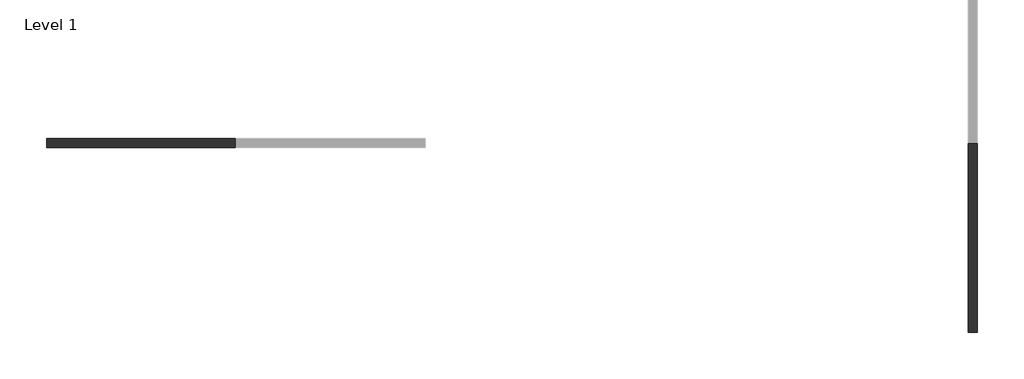
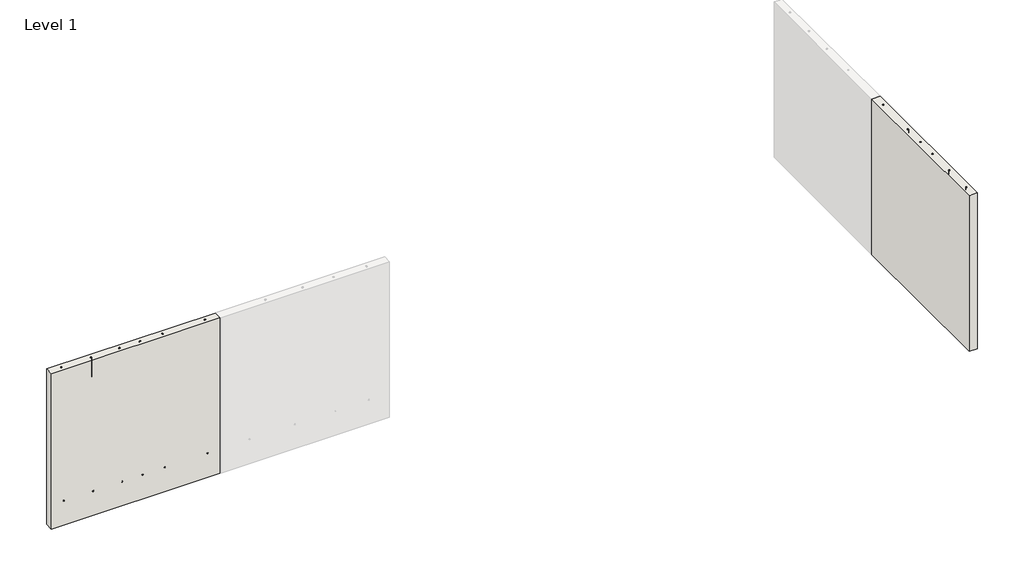
# One storey, part 1 of 2: 2 walls.
"""IFC4 building model written with IfcOpenShell, lengths in millimetres."""

from ifc_helpers import new_model, si_unit, frame, origin, place, context, project, spatial, polyline, circle_curve, element, save
from ifc_brep_helpers import plane_surface, cylinder_surface, revolved_surface, advanced_brep

model = new_model("IFC4")

# Units and contexts
model_context = context("Model", 3, world=origin())
ifc_project = project(units=[si_unit("LENGTHUNIT", "METRE", prefix="MILLI")], contexts=[model_context])

# Site, building, storey
site = spatial("IfcSite", under=ifc_project)
building = spatial("IfcBuilding", under=site)
storey = spatial("IfcBuildingStorey", under=building, Name="Level 1", Elevation=0.0)

# Walls
placement = place(None, origin())
element("IfcWall", 1, ObjectType="Generic - 200mm", at=placement, inside=storey, context=model_context, shape_type="AdvancedBrep", body=[
    advanced_brep(
    [(-17468.7199546, 12.9924474, 0.0), (-13368.7199546, 12.9924474, 0.0), (-13368.7199546, 12.9924474, 4000.0), (-17468.7199546, 12.9924474, 4000.0), (-13368.7199546, 212.9924474, 0.0), (-17468.7199546, 212.9924474, 0.0), (-17468.7199546, 212.9924474, 4000.0), (-13368.7199546, 212.9924474, 4000.0), (-13668.7199546, 127.9924474, 4000.0), (-13668.7199546, 97.9924474, 4000.0), (-14708.7199546, 127.9924474, 4000.0), (-14708.7199546, 97.9924474, 4000.0), (-15248.7199546, 127.9924474, 4000.0), (-15248.7199546, 97.9924474, 4000.0), (-15748.7199546, 127.9924474, 4000.0), (-15748.7199546, 97.9924474, 4000.0), (-16448.7199546, 127.9924474, 4000.0), (-16448.7199546, 97.9924474, 4000.0), (-17168.7199546, 127.9924474, 4000.0), (-17168.7199546, 97.9924474, 4000.0), (-13668.7199546, 125.9924474, 4000.0), (-13668.7199546, 99.9924474, 4000.0), (-14708.7199546, 125.9924474, 4000.0), (-14708.7199546, 99.9924474, 4000.0), (-15248.7199546, 125.9924474, 4000.0), (-15248.7199546, 99.9924474, 4000.0), (-15748.7199546, 125.9924474, 4000.0), (-15748.7199546, 99.9924474, 4000.0), (-16448.7199546, 125.9924474, 4000.0), (-16448.7199546, 99.9924474, 4000.0), (-17168.7199546, 125.9924474, 4000.0), (-17168.7199546, 99.9924474, 4000.0), (-17168.7199546, 127.9924474, 3500.0), (-17168.7199546, 97.9924474, 3500.0), (-17168.7199546, 125.9924474, 3500.0), (-17168.7199546, 99.9924474, 3500.0), (-16448.7199546, 127.9924474, 3500.0), (-16448.7199546, 97.9924474, 3500.0), (-16448.7199546, 125.9924474, 3500.0), (-16448.7199546, 99.9924474, 3500.0), (-15748.7199546, 127.9924474, 3500.0), (-15748.7199546, 97.9924474, 3500.0), (-15748.7199546, 125.9924474, 3500.0), (-15748.7199546, 99.9924474, 3500.0), (-15248.7199546, 127.9924474, 3500.0), (-15248.7199546, 97.9924474, 3500.0), (-15248.7199546, 125.9924474, 3500.0), (-15248.7199546, 99.9924474, 3500.0), (-14708.7199546, 127.9924474, 3500.0), (-14708.7199546, 97.9924474, 3500.0), (-14708.7199546, 125.9924474, 3500.0), (-14708.7199546, 99.9924474, 3500.0), (-13668.7199546, 127.9924474, 3500.0), (-13668.7199546, 97.9924474, 3500.0), (-13668.7199546, 125.9924474, 3500.0), (-13668.7199546, 99.9924474, 3500.0)],
    [
        (0, 1),
        (1, 2),
        (2, 3),
        (3, 0),
        (4, 5),
        (5, 6),
        (6, 7),
        (7, 4),
        (0, 5),
        (4, 1),
        (7, 2),
        (6, 3),
        (8, 9, circle_curve(frame((-13668.7199546, 112.9924474, 4000.0), z_axis=(0.0, 0.0, -1.0), x_axis=(0.0, -1.0, 0.0)), 15.0)),
        (9, 8, circle_curve(frame((-13668.7199546, 112.9924474, 4000.0), z_axis=(0.0, 0.0, -1.0), x_axis=(0.0, -1.0, 0.0)), 15.0)),
        (10, 11, circle_curve(frame((-14708.7199546, 112.9924474, 4000.0), z_axis=(0.0, 0.0, -1.0), x_axis=(0.0, -1.0, 0.0)), 15.0)),
        (11, 10, circle_curve(frame((-14708.7199546, 112.9924474, 4000.0), z_axis=(0.0, 0.0, -1.0), x_axis=(0.0, -1.0, 0.0)), 15.0)),
        (12, 13, circle_curve(frame((-15248.7199546, 112.9924474, 4000.0), z_axis=(0.0, 0.0, -1.0), x_axis=(0.0, -1.0, 0.0)), 15.0)),
        (13, 12, circle_curve(frame((-15248.7199546, 112.9924474, 4000.0), z_axis=(0.0, 0.0, -1.0), x_axis=(0.0, -1.0, 0.0)), 15.0)),
        (14, 15, circle_curve(frame((-15748.7199546, 112.9924474, 4000.0), z_axis=(0.0, 0.0, -1.0), x_axis=(0.0, -1.0, 0.0)), 15.0)),
        (15, 14, circle_curve(frame((-15748.7199546, 112.9924474, 4000.0), z_axis=(0.0, 0.0, -1.0), x_axis=(0.0, -1.0, 0.0)), 15.0)),
        (16, 17, circle_curve(frame((-16448.7199546, 112.9924474, 4000.0), z_axis=(0.0, 0.0, -1.0), x_axis=(0.0, -1.0, 0.0)), 15.0)),
        (17, 16, circle_curve(frame((-16448.7199546, 112.9924474, 4000.0), z_axis=(0.0, 0.0, -1.0), x_axis=(0.0, -1.0, 0.0)), 15.0)),
        (18, 19, circle_curve(frame((-17168.7199546, 112.9924474, 4000.0), z_axis=(0.0, 0.0, -1.0), x_axis=(0.0, -1.0, 0.0)), 15.0)),
        (19, 18, circle_curve(frame((-17168.7199546, 112.9924474, 4000.0), z_axis=(0.0, 0.0, -1.0), x_axis=(0.0, -1.0, 0.0)), 15.0)),
        (20, 21, circle_curve(frame((-13668.7199546, 112.9924474, 4000.0), z_axis=(0.0, 0.0, 1.0), x_axis=(0.0, -1.0, 0.0)), 13.0)),
        (21, 20, circle_curve(frame((-13668.7199546, 112.9924474, 4000.0), z_axis=(0.0, 0.0, 1.0), x_axis=(0.0, -1.0, 0.0)), 13.0)),
        (22, 23, circle_curve(frame((-14708.7199546, 112.9924474, 4000.0), z_axis=(0.0, 0.0, 1.0), x_axis=(0.0, -1.0, 0.0)), 13.0)),
        (23, 22, circle_curve(frame((-14708.7199546, 112.9924474, 4000.0), z_axis=(0.0, 0.0, 1.0), x_axis=(0.0, -1.0, 0.0)), 13.0)),
        (24, 25, circle_curve(frame((-15248.7199546, 112.9924474, 4000.0), z_axis=(0.0, 0.0, 1.0), x_axis=(0.0, -1.0, 0.0)), 13.0)),
        (25, 24, circle_curve(frame((-15248.7199546, 112.9924474, 4000.0), z_axis=(0.0, 0.0, 1.0), x_axis=(0.0, -1.0, 0.0)), 13.0)),
        (26, 27, circle_curve(frame((-15748.7199546, 112.9924474, 4000.0), z_axis=(0.0, 0.0, 1.0), x_axis=(0.0, -1.0, 0.0)), 13.0)),
        (27, 26, circle_curve(frame((-15748.7199546, 112.9924474, 4000.0), z_axis=(0.0, 0.0, 1.0), x_axis=(0.0, -1.0, 0.0)), 13.0)),
        (28, 29, circle_curve(frame((-16448.7199546, 112.9924474, 4000.0), z_axis=(0.0, 0.0, 1.0), x_axis=(0.0, -1.0, 0.0)), 13.0)),
        (29, 28, circle_curve(frame((-16448.7199546, 112.9924474, 4000.0), z_axis=(0.0, 0.0, 1.0), x_axis=(0.0, -1.0, 0.0)), 13.0)),
        (30, 31, circle_curve(frame((-17168.7199546, 112.9924474, 4000.0), z_axis=(0.0, 0.0, 1.0), x_axis=(0.0, -1.0, 0.0)), 13.0)),
        (31, 30, circle_curve(frame((-17168.7199546, 112.9924474, 4000.0), z_axis=(0.0, 0.0, 1.0), x_axis=(0.0, -1.0, 0.0)), 13.0)),
        (32, 33, circle_curve(frame((-17168.7199546, 112.9924474, 3500.0), z_axis=(0.0, 0.0, 1.0), x_axis=(0.0, -1.0, 0.0)), 15.0)),
        (33, 32, circle_curve(frame((-17168.7199546, 112.9924474, 3500.0), z_axis=(0.0, 0.0, 1.0), x_axis=(0.0, -1.0, 0.0)), 15.0)),
        (34, 35, circle_curve(frame((-17168.7199546, 112.9924474, 3500.0), z_axis=(0.0, 0.0, -1.0), x_axis=(0.0, -1.0, 0.0)), 13.0)),
        (35, 34, circle_curve(frame((-17168.7199546, 112.9924474, 3500.0), z_axis=(0.0, 0.0, -1.0), x_axis=(0.0, -1.0, 0.0)), 13.0)),
        (33, 19),
        (18, 32),
        (35, 31),
        (30, 34),
        (36, 37, circle_curve(frame((-16448.7199546, 112.9924474, 3500.0), z_axis=(0.0, 0.0, 1.0), x_axis=(0.0, -1.0, 0.0)), 15.0)),
        (37, 36, circle_curve(frame((-16448.7199546, 112.9924474, 3500.0), z_axis=(0.0, 0.0, 1.0), x_axis=(0.0, -1.0, 0.0)), 15.0)),
        (38, 39, circle_curve(frame((-16448.7199546, 112.9924474, 3500.0), z_axis=(0.0, 0.0, -1.0), x_axis=(0.0, -1.0, 0.0)), 13.0)),
        (39, 38, circle_curve(frame((-16448.7199546, 112.9924474, 3500.0), z_axis=(0.0, 0.0, -1.0), x_axis=(0.0, -1.0, 0.0)), 13.0)),
        (37, 17),
        (16, 36),
        (39, 29),
        (28, 38),
        (40, 41, circle_curve(frame((-15748.7199546, 112.9924474, 3500.0), z_axis=(0.0, 0.0, 1.0), x_axis=(0.0, -1.0, 0.0)), 15.0)),
        (41, 40, circle_curve(frame((-15748.7199546, 112.9924474, 3500.0), z_axis=(0.0, 0.0, 1.0), x_axis=(0.0, -1.0, 0.0)), 15.0)),
        (42, 43, circle_curve(frame((-15748.7199546, 112.9924474, 3500.0), z_axis=(0.0, 0.0, -1.0), x_axis=(0.0, -1.0, 0.0)), 13.0)),
        (43, 42, circle_curve(frame((-15748.7199546, 112.9924474, 3500.0), z_axis=(0.0, 0.0, -1.0), x_axis=(0.0, -1.0, 0.0)), 13.0)),
        (41, 15),
        (14, 40),
        (43, 27),
        (26, 42),
        (44, 45, circle_curve(frame((-15248.7199546, 112.9924474, 3500.0), z_axis=(0.0, 0.0, 1.0), x_axis=(0.0, -1.0, 0.0)), 15.0)),
        (45, 44, circle_curve(frame((-15248.7199546, 112.9924474, 3500.0), z_axis=(0.0, 0.0, 1.0), x_axis=(0.0, -1.0, 0.0)), 15.0)),
        (46, 47, circle_curve(frame((-15248.7199546, 112.9924474, 3500.0), z_axis=(0.0, 0.0, -1.0), x_axis=(0.0, -1.0, 0.0)), 13.0)),
        (47, 46, circle_curve(frame((-15248.7199546, 112.9924474, 3500.0), z_axis=(0.0, 0.0, -1.0), x_axis=(0.0, -1.0, 0.0)), 13.0)),
        (45, 13),
        (12, 44),
        (47, 25),
        (24, 46),
        (48, 49, circle_curve(frame((-14708.7199546, 112.9924474, 3500.0), z_axis=(0.0, 0.0, 1.0), x_axis=(0.0, -1.0, 0.0)), 15.0)),
        (49, 48, circle_curve(frame((-14708.7199546, 112.9924474, 3500.0), z_axis=(0.0, 0.0, 1.0), x_axis=(0.0, -1.0, 0.0)), 15.0)),
        (50, 51, circle_curve(frame((-14708.7199546, 112.9924474, 3500.0), z_axis=(0.0, 0.0, -1.0), x_axis=(0.0, -1.0, 0.0)), 13.0)),
        (51, 50, circle_curve(frame((-14708.7199546, 112.9924474, 3500.0), z_axis=(0.0, 0.0, -1.0), x_axis=(0.0, -1.0, 0.0)), 13.0)),
        (49, 11),
        (10, 48),
        (51, 23),
        (22, 50),
        (52, 53, circle_curve(frame((-13668.7199546, 112.9924474, 3500.0), z_axis=(0.0, 0.0, 1.0), x_axis=(0.0, -1.0, 0.0)), 15.0)),
        (53, 52, circle_curve(frame((-13668.7199546, 112.9924474, 3500.0), z_axis=(0.0, 0.0, 1.0), x_axis=(0.0, -1.0, 0.0)), 15.0)),
        (54, 55, circle_curve(frame((-13668.7199546, 112.9924474, 3500.0), z_axis=(0.0, 0.0, -1.0), x_axis=(0.0, -1.0, 0.0)), 13.0)),
        (55, 54, circle_curve(frame((-13668.7199546, 112.9924474, 3500.0), z_axis=(0.0, 0.0, -1.0), x_axis=(0.0, -1.0, 0.0)), 13.0)),
        (53, 9),
        (8, 52),
        (55, 21),
        (20, 54),
    ],
    [
        plane_surface(frame((-19768.7199546, 12.9924474, 0.0), z_axis=(0.0, -1.0, 0.0), x_axis=(1.0, 0.0, 0.0))),
        plane_surface(frame((-19768.7199546, 212.9924474, 0.0), z_axis=(0.0, 1.0, 0.0), x_axis=(-1.0, 0.0, 0.0))),
        plane_surface(frame((-17468.7199546, 12.9924474, 0.0), z_axis=(0.0, 0.0, -1.0), x_axis=(0.0, 1.0, 0.0))),
        plane_surface(frame((-13368.7199546, 12.9924474, 0.0), z_axis=(1.0, 0.0, 0.0), x_axis=(0.0, 1.0, 0.0))),
        plane_surface(frame((-13368.7199546, 12.9924474, 4000.0), z_axis=(0.0, 0.0, 1.0), x_axis=(0.0, 1.0, 0.0))),
        plane_surface(frame((-17468.7199546, 12.9924474, 4000.0), z_axis=(-1.0, 0.0, 0.0), x_axis=(0.0, 1.0, 0.0))),
        plane_surface(frame((-17168.7199546, 97.9924474, 3500.0), z_axis=(0.0, 0.0, 1.0), x_axis=(-1.0, 0.0, 0.0))),
        revolved_surface(polyline([(-17168.7199546, 97.9924474, 3500.0), (-17168.7199546, 97.9924474, 4000.0)]), (-17168.7199546, 112.9924474, 4000.0), (0.0, 0.0, -1.0)),
        cylinder_surface(frame((-17168.7199546, 112.9924474, 3500.0), z_axis=(0.0, 0.0, 1.0), x_axis=(0.0, -1.0, 0.0)), 13.0),
        plane_surface(frame((-16448.7199546, 97.9924474, 3500.0), z_axis=(0.0, 0.0, 1.0), x_axis=(-1.0, 0.0, 0.0))),
        revolved_surface(polyline([(-16448.7199546, 97.9924474, 3500.0), (-16448.7199546, 97.9924474, 4000.0)]), (-16448.7199546, 112.9924474, 4000.0), (0.0, 0.0, -1.0)),
        cylinder_surface(frame((-16448.7199546, 112.9924474, 3500.0), z_axis=(0.0, 0.0, 1.0), x_axis=(0.0, -1.0, 0.0)), 13.0),
        plane_surface(frame((-15748.7199546, 97.9924474, 3500.0), z_axis=(0.0, 0.0, 1.0), x_axis=(-1.0, 0.0, 0.0))),
        revolved_surface(polyline([(-15748.7199546, 97.9924474, 3500.0), (-15748.7199546, 97.9924474, 4000.0)]), (-15748.7199546, 112.9924474, 4000.0), (0.0, 0.0, -1.0)),
        cylinder_surface(frame((-15748.7199546, 112.9924474, 3500.0), z_axis=(0.0, 0.0, 1.0), x_axis=(0.0, -1.0, 0.0)), 13.0),
        plane_surface(frame((-15248.7199546, 97.9924474, 3500.0), z_axis=(0.0, 0.0, 1.0), x_axis=(-1.0, 0.0, 0.0))),
        revolved_surface(polyline([(-15248.7199546, 97.9924474, 3500.0), (-15248.7199546, 97.9924474, 4000.0)]), (-15248.7199546, 112.9924474, 4000.0), (0.0, 0.0, -1.0)),
        cylinder_surface(frame((-15248.7199546, 112.9924474, 3500.0), z_axis=(0.0, 0.0, 1.0), x_axis=(0.0, -1.0, 0.0)), 13.0),
        plane_surface(frame((-14708.7199546, 97.9924474, 3500.0), z_axis=(0.0, 0.0, 1.0), x_axis=(-1.0, 0.0, 0.0))),
        revolved_surface(polyline([(-14708.7199546, 97.9924474, 3500.0), (-14708.7199546, 97.9924474, 4000.0)]), (-14708.7199546, 112.9924474, 4000.0), (0.0, 0.0, -1.0)),
        cylinder_surface(frame((-14708.7199546, 112.9924474, 3500.0), z_axis=(0.0, 0.0, 1.0), x_axis=(0.0, -1.0, 0.0)), 13.0),
        plane_surface(frame((-13668.7199546, 97.9924474, 3500.0), z_axis=(0.0, 0.0, 1.0), x_axis=(-1.0, 0.0, 0.0))),
        revolved_surface(polyline([(-13668.7199546, 97.9924474, 3500.0), (-13668.7199546, 97.9924474, 4000.0)]), (-13668.7199546, 112.9924474, 4000.0), (0.0, 0.0, -1.0)),
        cylinder_surface(frame((-13668.7199546, 112.9924474, 3500.0), z_axis=(0.0, 0.0, 1.0), x_axis=(0.0, -1.0, 0.0)), 13.0),
    ],
    [
        (0, [[1, 2, 3, 4]]),
        (1, [[5, 6, 7, 8]]),
        (2, [[-1, 9, -5, 10]]),
        (3, [[-2, -10, -8, 11]]),
        (4, [[-3, -11, -7, 12], [13, 14], [15, 16], [17, 18], [19, 20], [21, 22], [23, 24]]),
        (4, [[25, 26]]),
        (4, [[27, 28]]),
        (4, [[29, 30]]),
        (4, [[31, 32]]),
        (4, [[33, 34]]),
        (4, [[35, 36]]),
        (5, [[-4, -12, -6, -9]]),
        (6, [[37, 38], [39, 40]]),
        (7, [[-38, 41, -23, 42]]),
        (7, [[-37, -42, -24, -41]]),
        (8, [[-40, 43, -35, 44]]),
        (8, [[-39, -44, -36, -43]]),
        (9, [[45, 46], [47, 48]]),
        (10, [[-46, 49, -21, 50]]),
        (10, [[-45, -50, -22, -49]]),
        (11, [[-48, 51, -33, 52]]),
        (11, [[-47, -52, -34, -51]]),
        (12, [[53, 54], [55, 56]]),
        (13, [[-54, 57, -19, 58]]),
        (13, [[-53, -58, -20, -57]]),
        (14, [[-56, 59, -31, 60]]),
        (14, [[-55, -60, -32, -59]]),
        (15, [[61, 62], [63, 64]]),
        (16, [[-62, 65, -17, 66]]),
        (16, [[-61, -66, -18, -65]]),
        (17, [[-64, 67, -29, 68]]),
        (17, [[-63, -68, -30, -67]]),
        (18, [[69, 70], [71, 72]]),
        (19, [[-70, 73, -15, 74]]),
        (19, [[-69, -74, -16, -73]]),
        (20, [[-72, 75, -27, 76]]),
        (20, [[-71, -76, -28, -75]]),
        (21, [[77, 78], [79, 80]]),
        (22, [[-78, 81, -13, 82]]),
        (22, [[-77, -82, -14, -81]]),
        (23, [[-80, 83, -25, 84]]),
        (23, [[-79, -84, -26, -83]]),
    ],
),
])
element("IfcWall", 2, ObjectType="Generic - 200mm", at=placement, inside=storey, context=model_context, shape_type="AdvancedBrep", body=[
    advanced_brep(
    [(2741.2800454, -3997.0075526, 0.0), (2741.2800454, 102.9924474, 0.0), (2741.2800454, 102.9924474, 4000.0), (2741.2800454, -3997.0075526, 4000.0), (2541.2800454, 102.9924474, 0.0), (2541.2800454, -3997.0075526, 0.0), (2541.2800454, -3997.0075526, 4000.0), (2541.2800454, 102.9924474, 4000.0), (2626.2800454, -197.0075526, 4000.0), (2656.2800454, -197.0075526, 4000.0), (2626.2800454, -1237.0075526, 4000.0), (2656.2800454, -1237.0075526, 4000.0), (2626.2800454, -1777.0075526, 4000.0), (2656.2800454, -1777.0075526, 4000.0), (2626.2800454, -2277.0075526, 4000.0), (2656.2800454, -2277.0075526, 4000.0), (2626.2800454, -2977.0075526, 4000.0), (2656.2800454, -2977.0075526, 4000.0), (2626.2800454, -3697.0075526, 4000.0), (2656.2800454, -3697.0075526, 4000.0), (2628.2800454, -197.0075526, 4000.0), (2654.2800454, -197.0075526, 4000.0), (2628.2800454, -1237.0075526, 4000.0), (2654.2800454, -1237.0075526, 4000.0), (2628.2800454, -1777.0075526, 4000.0), (2654.2800454, -1777.0075526, 4000.0), (2628.2800454, -2277.0075526, 4000.0), (2654.2800454, -2277.0075526, 4000.0), (2628.2800454, -2977.0075526, 4000.0), (2654.2800454, -2977.0075526, 4000.0), (2628.2800454, -3697.0075526, 4000.0), (2654.2800454, -3697.0075526, 4000.0), (2626.2800454, -3697.0075526, 3500.0), (2656.2800454, -3697.0075526, 3500.0), (2628.2800454, -3697.0075526, 3500.0), (2654.2800454, -3697.0075526, 3500.0), (2626.2800454, -2977.0075526, 3500.0), (2656.2800454, -2977.0075526, 3500.0), (2628.2800454, -2977.0075526, 3500.0), (2654.2800454, -2977.0075526, 3500.0), (2626.2800454, -2277.0075526, 3500.0), (2656.2800454, -2277.0075526, 3500.0), (2628.2800454, -2277.0075526, 3500.0), (2654.2800454, -2277.0075526, 3500.0), (2626.2800454, -1777.0075526, 3500.0), (2656.2800454, -1777.0075526, 3500.0), (2628.2800454, -1777.0075526, 3500.0), (2654.2800454, -1777.0075526, 3500.0), (2626.2800454, -1237.0075526, 3500.0), (2656.2800454, -1237.0075526, 3500.0), (2628.2800454, -1237.0075526, 3500.0), (2654.2800454, -1237.0075526, 3500.0), (2626.2800454, -197.0075526, 3500.0), (2656.2800454, -197.0075526, 3500.0), (2628.2800454, -197.0075526, 3500.0), (2654.2800454, -197.0075526, 3500.0)],
    [
        (0, 1),
        (1, 2),
        (2, 3),
        (3, 0),
        (4, 5),
        (5, 6),
        (6, 7),
        (7, 4),
        (0, 5),
        (4, 1),
        (7, 2),
        (6, 3),
        (8, 9, circle_curve(frame((2641.2800454, -197.0075526, 4000.0), z_axis=(0.0, 0.0, -1.0), x_axis=(1.0, 0.0, 0.0)), 15.0)),
        (9, 8, circle_curve(frame((2641.2800454, -197.0075526, 4000.0), z_axis=(0.0, 0.0, -1.0), x_axis=(1.0, 0.0, 0.0)), 15.0)),
        (10, 11, circle_curve(frame((2641.2800454, -1237.0075526, 4000.0), z_axis=(0.0, 0.0, -1.0), x_axis=(1.0, 0.0, 0.0)), 15.0)),
        (11, 10, circle_curve(frame((2641.2800454, -1237.0075526, 4000.0), z_axis=(0.0, 0.0, -1.0), x_axis=(1.0, 0.0, 0.0)), 15.0)),
        (12, 13, circle_curve(frame((2641.2800454, -1777.0075526, 4000.0), z_axis=(0.0, 0.0, -1.0), x_axis=(1.0, 0.0, 0.0)), 15.0)),
        (13, 12, circle_curve(frame((2641.2800454, -1777.0075526, 4000.0), z_axis=(0.0, 0.0, -1.0), x_axis=(1.0, 0.0, 0.0)), 15.0)),
        (14, 15, circle_curve(frame((2641.2800454, -2277.0075526, 4000.0), z_axis=(0.0, 0.0, -1.0), x_axis=(1.0, 0.0, 0.0)), 15.0)),
        (15, 14, circle_curve(frame((2641.2800454, -2277.0075526, 4000.0), z_axis=(0.0, 0.0, -1.0), x_axis=(1.0, 0.0, 0.0)), 15.0)),
        (16, 17, circle_curve(frame((2641.2800454, -2977.0075526, 4000.0), z_axis=(0.0, 0.0, -1.0), x_axis=(1.0, 0.0, 0.0)), 15.0)),
        (17, 16, circle_curve(frame((2641.2800454, -2977.0075526, 4000.0), z_axis=(0.0, 0.0, -1.0), x_axis=(1.0, 0.0, 0.0)), 15.0)),
        (18, 19, circle_curve(frame((2641.2800454, -3697.0075526, 4000.0), z_axis=(0.0, 0.0, -1.0), x_axis=(1.0, 0.0, 0.0)), 15.0)),
        (19, 18, circle_curve(frame((2641.2800454, -3697.0075526, 4000.0), z_axis=(0.0, 0.0, -1.0), x_axis=(1.0, 0.0, 0.0)), 15.0)),
        (20, 21, circle_curve(frame((2641.2800454, -197.0075526, 4000.0), z_axis=(0.0, 0.0, 1.0), x_axis=(1.0, 0.0, 0.0)), 13.0)),
        (21, 20, circle_curve(frame((2641.2800454, -197.0075526, 4000.0), z_axis=(0.0, 0.0, 1.0), x_axis=(1.0, 0.0, 0.0)), 13.0)),
        (22, 23, circle_curve(frame((2641.2800454, -1237.0075526, 4000.0), z_axis=(0.0, 0.0, 1.0), x_axis=(1.0, 0.0, 0.0)), 13.0)),
        (23, 22, circle_curve(frame((2641.2800454, -1237.0075526, 4000.0), z_axis=(0.0, 0.0, 1.0), x_axis=(1.0, 0.0, 0.0)), 13.0)),
        (24, 25, circle_curve(frame((2641.2800454, -1777.0075526, 4000.0), z_axis=(0.0, 0.0, 1.0), x_axis=(1.0, 0.0, 0.0)), 13.0)),
        (25, 24, circle_curve(frame((2641.2800454, -1777.0075526, 4000.0), z_axis=(0.0, 0.0, 1.0), x_axis=(1.0, 0.0, 0.0)), 13.0)),
        (26, 27, circle_curve(frame((2641.2800454, -2277.0075526, 4000.0), z_axis=(0.0, 0.0, 1.0), x_axis=(1.0, 0.0, 0.0)), 13.0)),
        (27, 26, circle_curve(frame((2641.2800454, -2277.0075526, 4000.0), z_axis=(0.0, 0.0, 1.0), x_axis=(1.0, 0.0, 0.0)), 13.0)),
        (28, 29, circle_curve(frame((2641.2800454, -2977.0075526, 4000.0), z_axis=(0.0, 0.0, 1.0), x_axis=(1.0, 0.0, 0.0)), 13.0)),
        (29, 28, circle_curve(frame((2641.2800454, -2977.0075526, 4000.0), z_axis=(0.0, 0.0, 1.0), x_axis=(1.0, 0.0, 0.0)), 13.0)),
        (30, 31, circle_curve(frame((2641.2800454, -3697.0075526, 4000.0), z_axis=(0.0, 0.0, 1.0), x_axis=(1.0, 0.0, 0.0)), 13.0)),
        (31, 30, circle_curve(frame((2641.2800454, -3697.0075526, 4000.0), z_axis=(0.0, 0.0, 1.0), x_axis=(1.0, 0.0, 0.0)), 13.0)),
        (32, 33, circle_curve(frame((2641.2800454, -3697.0075526, 3500.0), z_axis=(0.0, 0.0, 1.0), x_axis=(1.0, 0.0, 0.0)), 15.0)),
        (33, 32, circle_curve(frame((2641.2800454, -3697.0075526, 3500.0), z_axis=(0.0, 0.0, 1.0), x_axis=(1.0, 0.0, 0.0)), 15.0)),
        (34, 35, circle_curve(frame((2641.2800454, -3697.0075526, 3500.0), z_axis=(0.0, 0.0, -1.0), x_axis=(1.0, 0.0, 0.0)), 13.0)),
        (35, 34, circle_curve(frame((2641.2800454, -3697.0075526, 3500.0), z_axis=(0.0, 0.0, -1.0), x_axis=(1.0, 0.0, 0.0)), 13.0)),
        (33, 19),
        (18, 32),
        (35, 31),
        (30, 34),
        (36, 37, circle_curve(frame((2641.2800454, -2977.0075526, 3500.0), z_axis=(0.0, 0.0, 1.0), x_axis=(1.0, 0.0, 0.0)), 15.0)),
        (37, 36, circle_curve(frame((2641.2800454, -2977.0075526, 3500.0), z_axis=(0.0, 0.0, 1.0), x_axis=(1.0, 0.0, 0.0)), 15.0)),
        (38, 39, circle_curve(frame((2641.2800454, -2977.0075526, 3500.0), z_axis=(0.0, 0.0, -1.0), x_axis=(1.0, 0.0, 0.0)), 13.0)),
        (39, 38, circle_curve(frame((2641.2800454, -2977.0075526, 3500.0), z_axis=(0.0, 0.0, -1.0), x_axis=(1.0, 0.0, 0.0)), 13.0)),
        (37, 17),
        (16, 36),
        (39, 29),
        (28, 38),
        (40, 41, circle_curve(frame((2641.2800454, -2277.0075526, 3500.0), z_axis=(0.0, 0.0, 1.0), x_axis=(1.0, 0.0, 0.0)), 15.0)),
        (41, 40, circle_curve(frame((2641.2800454, -2277.0075526, 3500.0), z_axis=(0.0, 0.0, 1.0), x_axis=(1.0, 0.0, 0.0)), 15.0)),
        (42, 43, circle_curve(frame((2641.2800454, -2277.0075526, 3500.0), z_axis=(0.0, 0.0, -1.0), x_axis=(1.0, 0.0, 0.0)), 13.0)),
        (43, 42, circle_curve(frame((2641.2800454, -2277.0075526, 3500.0), z_axis=(0.0, 0.0, -1.0), x_axis=(1.0, 0.0, 0.0)), 13.0)),
        (41, 15),
        (14, 40),
        (43, 27),
        (26, 42),
        (44, 45, circle_curve(frame((2641.2800454, -1777.0075526, 3500.0), z_axis=(0.0, 0.0, 1.0), x_axis=(1.0, 0.0, 0.0)), 15.0)),
        (45, 44, circle_curve(frame((2641.2800454, -1777.0075526, 3500.0), z_axis=(0.0, 0.0, 1.0), x_axis=(1.0, 0.0, 0.0)), 15.0)),
        (46, 47, circle_curve(frame((2641.2800454, -1777.0075526, 3500.0), z_axis=(0.0, 0.0, -1.0), x_axis=(1.0, 0.0, 0.0)), 13.0)),
        (47, 46, circle_curve(frame((2641.2800454, -1777.0075526, 3500.0), z_axis=(0.0, 0.0, -1.0), x_axis=(1.0, 0.0, 0.0)), 13.0)),
        (45, 13),
        (12, 44),
        (47, 25),
        (24, 46),
        (48, 49, circle_curve(frame((2641.2800454, -1237.0075526, 3500.0), z_axis=(0.0, 0.0, 1.0), x_axis=(1.0, 0.0, 0.0)), 15.0)),
        (49, 48, circle_curve(frame((2641.2800454, -1237.0075526, 3500.0), z_axis=(0.0, 0.0, 1.0), x_axis=(1.0, 0.0, 0.0)), 15.0)),
        (50, 51, circle_curve(frame((2641.2800454, -1237.0075526, 3500.0), z_axis=(0.0, 0.0, -1.0), x_axis=(1.0, 0.0, 0.0)), 13.0)),
        (51, 50, circle_curve(frame((2641.2800454, -1237.0075526, 3500.0), z_axis=(0.0, 0.0, -1.0), x_axis=(1.0, 0.0, 0.0)), 13.0)),
        (49, 11),
        (10, 48),
        (51, 23),
        (22, 50),
        (52, 53, circle_curve(frame((2641.2800454, -197.0075526, 3500.0), z_axis=(0.0, 0.0, 1.0), x_axis=(1.0, 0.0, 0.0)), 15.0)),
        (53, 52, circle_curve(frame((2641.2800454, -197.0075526, 3500.0), z_axis=(0.0, 0.0, 1.0), x_axis=(1.0, 0.0, 0.0)), 15.0)),
        (54, 55, circle_curve(frame((2641.2800454, -197.0075526, 3500.0), z_axis=(0.0, 0.0, -1.0), x_axis=(1.0, 0.0, 0.0)), 13.0)),
        (55, 54, circle_curve(frame((2641.2800454, -197.0075526, 3500.0), z_axis=(0.0, 0.0, -1.0), x_axis=(1.0, 0.0, 0.0)), 13.0)),
        (53, 9),
        (8, 52),
        (55, 21),
        (20, 54),
    ],
    [
        plane_surface(frame((2741.2800454, -6297.0075526, 0.0), z_axis=(1.0, 0.0, 0.0), x_axis=(0.0, 1.0, 0.0))),
        plane_surface(frame((2541.2800454, -6297.0075526, 0.0), z_axis=(-1.0, 0.0, 0.0), x_axis=(0.0, -1.0, 0.0))),
        plane_surface(frame((2741.2800454, -3997.0075526, 0.0), z_axis=(0.0, 0.0, -1.0), x_axis=(-1.0, 0.0, 0.0))),
        plane_surface(frame((2741.2800454, 102.9924474, 0.0), z_axis=(0.0, 1.0, 0.0), x_axis=(-1.0, 0.0, 0.0))),
        plane_surface(frame((2741.2800454, 102.9924474, 4000.0), z_axis=(0.0, 0.0, 1.0), x_axis=(-1.0, 0.0, 0.0))),
        plane_surface(frame((2741.2800454, -3997.0075526, 4000.0), z_axis=(0.0, -1.0, 0.0), x_axis=(-1.0, 0.0, 0.0))),
        plane_surface(frame((2656.2800454, -3697.0075526, 3500.0), z_axis=(0.0, 0.0, 1.0), x_axis=(0.0, -1.0, 0.0))),
        revolved_surface(polyline([(2656.2800454, -3697.0075526, 3500.0), (2656.2800454, -3697.0075526, 4000.0)]), (2641.2800454, -3697.0075526, 4000.0), (0.0, 0.0, -1.0)),
        cylinder_surface(frame((2641.2800454, -3697.0075526, 3500.0), z_axis=(0.0, 0.0, 1.0), x_axis=(1.0, 0.0, 0.0)), 13.0),
        plane_surface(frame((2656.2800454, -2977.0075526, 3500.0), z_axis=(0.0, 0.0, 1.0), x_axis=(0.0, -1.0, 0.0))),
        revolved_surface(polyline([(2656.2800454, -2977.0075526, 3500.0), (2656.2800454, -2977.0075526, 4000.0)]), (2641.2800454, -2977.0075526, 4000.0), (0.0, 0.0, -1.0)),
        cylinder_surface(frame((2641.2800454, -2977.0075526, 3500.0), z_axis=(0.0, 0.0, 1.0), x_axis=(1.0, 0.0, 0.0)), 13.0),
        plane_surface(frame((2656.2800454, -2277.0075526, 3500.0), z_axis=(0.0, 0.0, 1.0), x_axis=(0.0, -1.0, 0.0))),
        revolved_surface(polyline([(2656.2800454, -2277.0075526, 3500.0), (2656.2800454, -2277.0075526, 4000.0)]), (2641.2800454, -2277.0075526, 4000.0), (0.0, 0.0, -1.0)),
        cylinder_surface(frame((2641.2800454, -2277.0075526, 3500.0), z_axis=(0.0, 0.0, 1.0), x_axis=(1.0, 0.0, 0.0)), 13.0),
        plane_surface(frame((2656.2800454, -1777.0075526, 3500.0), z_axis=(0.0, 0.0, 1.0), x_axis=(0.0, -1.0, 0.0))),
        revolved_surface(polyline([(2656.2800454, -1777.0075526, 3500.0), (2656.2800454, -1777.0075526, 4000.0)]), (2641.2800454, -1777.0075526, 4000.0), (0.0, 0.0, -1.0)),
        cylinder_surface(frame((2641.2800454, -1777.0075526, 3500.0), z_axis=(0.0, 0.0, 1.0), x_axis=(1.0, 0.0, 0.0)), 13.0),
        plane_surface(frame((2656.2800454, -1237.0075526, 3500.0), z_axis=(0.0, 0.0, 1.0), x_axis=(0.0, -1.0, 0.0))),
        revolved_surface(polyline([(2656.2800454, -1237.0075526, 3500.0), (2656.2800454, -1237.0075526, 4000.0)]), (2641.2800454, -1237.0075526, 4000.0), (0.0, 0.0, -1.0)),
        cylinder_surface(frame((2641.2800454, -1237.0075526, 3500.0), z_axis=(0.0, 0.0, 1.0), x_axis=(1.0, 0.0, 0.0)), 13.0),
        plane_surface(frame((2656.2800454, -197.0075526, 3500.0), z_axis=(0.0, 0.0, 1.0), x_axis=(0.0, -1.0, 0.0))),
        revolved_surface(polyline([(2656.2800454, -197.0075526, 3500.0), (2656.2800454, -197.0075526, 4000.0)]), (2641.2800454, -197.0075526, 4000.0), (0.0, 0.0, -1.0)),
        cylinder_surface(frame((2641.2800454, -197.0075526, 3500.0), z_axis=(0.0, 0.0, 1.0), x_axis=(1.0, 0.0, 0.0)), 13.0),
    ],
    [
        (0, [[1, 2, 3, 4]]),
        (1, [[5, 6, 7, 8]]),
        (2, [[-1, 9, -5, 10]]),
        (3, [[-2, -10, -8, 11]]),
        (4, [[-3, -11, -7, 12], [13, 14], [15, 16], [17, 18], [19, 20], [21, 22], [23, 24]]),
        (4, [[25, 26]]),
        (4, [[27, 28]]),
        (4, [[29, 30]]),
        (4, [[31, 32]]),
        (4, [[33, 34]]),
        (4, [[35, 36]]),
        (5, [[-4, -12, -6, -9]]),
        (6, [[37, 38], [39, 40]]),
        (7, [[-38, 41, -23, 42]]),
        (7, [[-37, -42, -24, -41]]),
        (8, [[-40, 43, -35, 44]]),
        (8, [[-39, -44, -36, -43]]),
        (9, [[45, 46], [47, 48]]),
        (10, [[-46, 49, -21, 50]]),
        (10, [[-45, -50, -22, -49]]),
        (11, [[-48, 51, -33, 52]]),
        (11, [[-47, -52, -34, -51]]),
        (12, [[53, 54], [55, 56]]),
        (13, [[-54, 57, -19, 58]]),
        (13, [[-53, -58, -20, -57]]),
        (14, [[-56, 59, -31, 60]]),
        (14, [[-55, -60, -32, -59]]),
        (15, [[61, 62], [63, 64]]),
        (16, [[-62, 65, -17, 66]]),
        (16, [[-61, -66, -18, -65]]),
        (17, [[-64, 67, -29, 68]]),
        (17, [[-63, -68, -30, -67]]),
        (18, [[69, 70], [71, 72]]),
        (19, [[-70, 73, -15, 74]]),
        (19, [[-69, -74, -16, -73]]),
        (20, [[-72, 75, -27, 76]]),
        (20, [[-71, -76, -28, -75]]),
        (21, [[77, 78], [79, 80]]),
        (22, [[-78, 81, -13, 82]]),
        (22, [[-77, -82, -14, -81]]),
        (23, [[-80, 83, -25, 84]]),
        (23, [[-79, -84, -26, -83]]),
    ],
),
])

save(model, "model.ifc")
